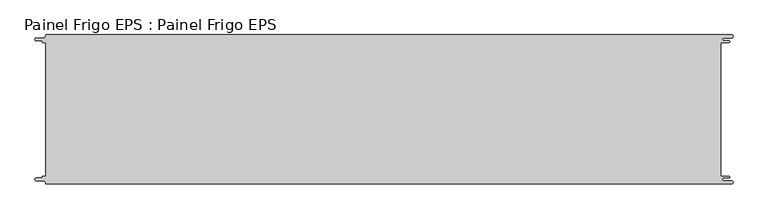
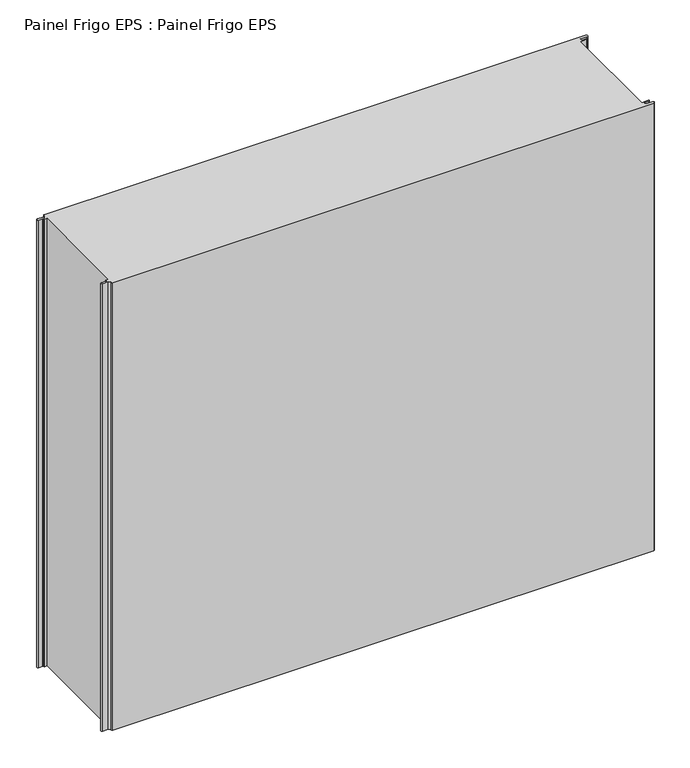
"""IFC4 building model written with IfcOpenShell, lengths in millimetres: proxy geometry, Painel Frigo EPS : Painel Frigo EPS."""

import ifcopenshell
import ifcopenshell.guid

model = None  # the IFC model being written
_history = None  # IfcOwnerHistory: only IFC2X3 demands one
_inside = {}  # id of a spatial element -> (the spatial element, [elements in it])
_under = {}  # id of a project, library or spatial element -> (it, [spatial elements below it])
_declared = {}  # id of a project -> (the project, [libraries it declares])
_typed = {}  # id of a type object -> (the type object, [elements of that type])
_made_of = {}  # id of a material, layer set ... -> (it, [elements and type objects made of it])


def new_model(schema):
    """Start an empty IFC model of exactly this schema.

    Asked for "IFC4X3", IfcOpenShell would pick the latest addendum, in which some entities
    have other attributes; the version numbers below select the first issue.
    IFC2X3 requires an IfcOwnerHistory on every rooted entity: one is made here for all.
    """
    global model, _history
    if schema == "IFC4X3":
        model = ifcopenshell.file(schema_version=(4, 3, 0, 0))
    else:
        model = ifcopenshell.file(schema=schema)
    _inside.clear()
    _under.clear()
    _declared.clear()
    _typed.clear()
    _made_of.clear()
    _history = None
    if model.schema == "IFC2X3":
        org = make("IfcOrganization", Name="unknown")
        user = make(
            "IfcPersonAndOrganization",
            ThePerson=make("IfcPerson", FamilyName="unknown"),
            TheOrganization=org,
        )
        app = make(
            "IfcApplication",
            ApplicationDeveloper=org,
            Version="unknown",
            ApplicationFullName="unknown",
            ApplicationIdentifier="unknown",
        )
        _history = make(
            "IfcOwnerHistory",
            OwningUser=user,
            OwningApplication=app,
            ChangeAction="ADDED",
            CreationDate=0,
        )
    return model


def make(cls, **values):
    """One entity of the class cls with the attributes given. An attribute that is None is left unset."""
    return model.create_entity(
        cls, **{name: value for name, value in values.items() if value is not None}
    )


def rooted(cls, **values):
    """An entity with a GlobalId (a new one), such as an element, a storey or a relation."""
    return make(cls, GlobalId=ifcopenshell.guid.new(), OwnerHistory=_history, **values)


def si_unit(unit_type, name, prefix=None):
    """IfcSIUnit, for example si_unit("LENGTHUNIT", "METRE", prefix="MILLI")."""
    return make("IfcSIUnit", UnitType=unit_type, Prefix=prefix, Name=name)


def assignment(units):
    """IfcUnitAssignment: the units of a project."""
    return None if units is None else make("IfcUnitAssignment", Units=units)


def point(xyz):
    """IfcCartesianPoint."""
    return None if xyz is None else make("IfcCartesianPoint", Coordinates=xyz)


def direction(xyz):
    """IfcDirection."""
    return None if xyz is None else make("IfcDirection", DirectionRatios=xyz)


def frame(location, z_axis=None, x_axis=None):
    """IfcAxis2Placement3D, a coordinate frame: its origin and axes. An axis left out is left unset."""
    return make(
        "IfcAxis2Placement3D",
        Location=point(location),
        Axis=direction(z_axis),
        RefDirection=direction(x_axis),
    )


def origin():
    """The frame at (0, 0, 0) with its axes left unset."""
    return frame((0.0, 0.0, 0.0))


def place(relative_to, where):
    """IfcLocalPlacement: puts the frame where relative to a parent placement (None: the world)."""
    return make(
        "IfcLocalPlacement", PlacementRelTo=relative_to, RelativePlacement=where
    )


def context(
    kind, dimensions, precision=None, world=None, true_north=None, identifier=None
):
    """IfcGeometricRepresentationContext, for example the 3D "Model" context."""
    return make(
        "IfcGeometricRepresentationContext",
        ContextIdentifier=identifier,
        ContextType=kind,
        CoordinateSpaceDimension=dimensions,
        Precision=precision,
        WorldCoordinateSystem=world,
        TrueNorth=true_north,
    )


def project(units=None, contexts=None):
    """IfcProject with its units and contexts."""
    return rooted(
        "IfcProject",
        Name="project",
        RepresentationContexts=contexts,
        UnitsInContext=assignment(units),
    )


def spatial(cls, under=None, at=None, **own):
    """A site, building, storey or space (cls), placed at a placement, below another one or the project."""
    s = rooted(cls, ObjectPlacement=at, **own)
    if under is not None:
        _under.setdefault(under.id(), (under, []))[1].append(s)
    return s


def polyline(points):
    """IfcPolyline through the points."""
    return make("IfcPolyline", Points=[point(p) for p in points])


def circle_curve(where, radius):
    """IfcCircle in the frame where."""
    return make("IfcCircle", Position=where, Radius=radius)


def shape(context_of_items, identifier, shape_type, items):
    """IfcShapeRepresentation: the items that make up one representation, for example the "Body"."""
    return make(
        "IfcShapeRepresentation",
        ContextOfItems=context_of_items,
        RepresentationIdentifier=identifier,
        RepresentationType=shape_type,
        Items=items,
    )


def source(mapping_origin, context_of_items, identifier, shape_type, items):
    """IfcRepresentationMap: a shape defined once, which mapped items show again and again."""
    return make(
        "IfcRepresentationMap",
        MappingOrigin=mapping_origin,
        MappedRepresentation=shape(context_of_items, identifier, shape_type, items),
    )


def transform(
    local_origin,
    x_axis=None,
    y_axis=None,
    z_axis=None,
    scale=None,
    scale2=None,
    scale3=None,
    uniform=True,
):
    """IfcCartesianTransformationOperator3D, or its non-uniform kind. x_axis, y_axis, z_axis: its Axis1, 2, 3."""
    if uniform:
        return make(
            "IfcCartesianTransformationOperator3D",
            Axis1=direction(x_axis),
            Axis2=direction(y_axis),
            LocalOrigin=point(local_origin),
            Scale=scale,
            Axis3=direction(z_axis),
        )
    return make(
        "IfcCartesianTransformationOperator3DnonUniform",
        Axis1=direction(x_axis),
        Axis2=direction(y_axis),
        LocalOrigin=point(local_origin),
        Scale=scale,
        Axis3=direction(z_axis),
        Scale2=scale2,
        Scale3=scale3,
    )


def mapped(mapping_source, mapping_target):
    """IfcMappedItem: shows the shape of a source again, moved by a transform."""
    return make(
        "IfcMappedItem", MappingSource=mapping_source, MappingTarget=mapping_target
    )


def made_of(thing, what):
    """Note that an element or type object is made of a material, layer set ...; save() writes the relation."""
    if what is not None:
        _made_of.setdefault(what.id(), (what, []))[1].append(thing)
    return thing


def element(
    cls,
    number,
    at=None,
    inside=None,
    cuts=None,
    type_object=None,
    material=None,
    context=None,
    identifier="Body",
    shape_type=None,
    held_by="IfcProductDefinitionShape",
    body=None,
    shapes=None,
    **own,
):
    """One element of the class cls, such as IfcWall. Its Tag is "e" and its number.

    at: its placement. inside: the storey or other place that contains it. cuts: it is an
    opening in that element (IfcRelVoidsElement). A single representation is given by context,
    identifier, shape_type and body (its items); several are given by shapes. held_by: the class
    of the entity that holds the representations. save() writes the other relations.
    """
    e = rooted(cls, Tag="e%d" % number, ObjectPlacement=at, **own)
    if body is not None:
        shapes = [shape(context, identifier, shape_type, body)]
    if shapes is not None:
        e.Representation = make(held_by, Representations=shapes)
    if inside is not None:
        _inside.setdefault(inside.id(), (inside, []))[1].append(e)
    if cuts is not None:
        rooted(
            "IfcRelVoidsElement", RelatingBuildingElement=cuts, RelatedOpeningElement=e
        )
    if type_object is not None:
        _typed.setdefault(type_object.id(), (type_object, []))[1].append(e)
    return made_of(e, material)


def aggregate(whole, parts):
    """IfcRelAggregates: a whole, such as a stair, and the parts it consists of."""
    return rooted("IfcRelAggregates", RelatingObject=whole, RelatedObjects=parts)


def save(model, path):
    """Write the relations noted so far, then the file.

    IfcRelAggregates (storeys below a building ...), IfcRelContainedInSpatialStructure (elements
    in a storey), IfcRelDefinesByType, IfcRelAssociatesMaterial and IfcRelDeclares: one each for
    every whole, place, type object, material and project.
    """
    for whole, parts in _under.values():
        aggregate(whole, parts)
    for where, things in _inside.values():
        rooted(
            "IfcRelContainedInSpatialStructure",
            RelatedElements=things,
            RelatingStructure=where,
        )
    for kind, things in _typed.values():
        rooted("IfcRelDefinesByType", RelatedObjects=things, RelatingType=kind)
    for what, things in _made_of.values():
        rooted("IfcRelAssociatesMaterial", RelatedObjects=things, RelatingMaterial=what)
    for by, libraries in _declared.values():
        rooted("IfcRelDeclares", RelatingContext=by, RelatedDefinitions=libraries)
    model.write(path)


def plane_surface(at):
    """IfcPlane: the flat surface through the origin of the frame at, square to its z axis."""
    return make("IfcPlane", Position=at)


def cylinder_surface(at, radius):
    """IfcCylindricalSurface: all points at the distance radius from the z axis of the frame at."""
    return make("IfcCylindricalSurface", Position=at, Radius=radius)


def revolved_surface(curve, axis_point, axis_direction):
    """IfcSurfaceOfRevolution: the curve turned about the line through axis_point along axis_direction."""
    return make(
        "IfcSurfaceOfRevolution",
        SweptCurve=make("IfcArbitraryOpenProfileDef", ProfileType="CURVE", Curve=curve),
        AxisPosition=make("IfcAxis1Placement", Location=point(axis_point), Axis=direction(axis_direction)),
    )


def advanced_brep(points, edges, surfaces, faces):
    """IfcAdvancedBrep: a solid bounded by faces that lie on surfaces and meet in shared edges.

    An edge is (start, end): straight between two places in points (the first is 0);
    or (start, end, curve); or (start, end, curve, False) where it runs against its curve.
    A face is (place in surfaces, loops), or (place, loops, False) where it looks against
    its surface's normal. A loop lists edges by number (the first is 1), with a minus sign
    where the edge is run from its end to its start. The first loop is the outer one.
    """
    corners = [point(p) for p in points]
    vertices = [make("IfcVertexPoint", VertexGeometry=c) for c in corners]
    made = []
    for start, end, *more in edges:
        made.append(
            make(
                "IfcEdgeCurve",
                EdgeStart=vertices[start],
                EdgeEnd=vertices[end],
                EdgeGeometry=more[0] if more else make("IfcPolyline", Points=[corners[start], corners[end]]),
                SameSense=more[1] if len(more) > 1 else True,
            )
        )
    hull = []
    for where, loops, *sense in faces:
        bounds = []
        for j, loop in enumerate(loops):
            ring = [make("IfcOrientedEdge", EdgeElement=made[abs(k) - 1], Orientation=k > 0) for k in loop]
            bounds.append(
                make(
                    "IfcFaceOuterBound" if j == 0 else "IfcFaceBound",
                    Bound=make("IfcEdgeLoop", EdgeList=ring),
                    Orientation=True,
                )
            )
        hull.append(make("IfcAdvancedFace", Bounds=bounds, FaceSurface=surfaces[where], SameSense=sense[0] if sense else True))
    return make("IfcAdvancedBrep", Outer=make("IfcClosedShell", CfsFaces=hull))


def painel_frigo_eps_painel_frigo_eps_2f04a6b4(model_context):
    return source(origin(), model_context, "Body", "AdvancedBrep", [
        advanced_brep(
        [(-579.5093748, -112.3, 1000.0), (-580.1093748, -112.9, 1000.0), (-580.1093748, -113.7085184, 1000.0), (-581.5093751, -115.1085187, 1000.0), (-590.4875, -115.1085187, 1000.0), (-590.4875, -119.5085185, 1000.0), (-578.471875, -119.5085185, 1000.0), (-574.921875, -123.0585185, 1000.0), (-572.971875, -125.0, 1000.0), (572.284375, -125.0, 1000.0), (572.284375, -119.725, 1000.0), (559.378125, -119.725, 1000.0), (559.378125, -114.875, 1000.0), (568.0406253, -114.875, 1000.0), (568.0406253, -112.3, 1000.0), (554.1906253, -112.3, 1000.0), (554.1906253, 112.3, 1000.0), (568.0406253, 112.3, 1000.0), (568.0406253, 114.875, 1000.0), (559.378125, 114.875, 1000.0), (559.378125, 119.725, 1000.0), (572.284375, 119.725, 1000.0), (572.284375, 125.0, 1000.0), (-572.971875, 125.0, 1000.0), (-574.921875, 123.05, 1000.0), (-578.471875, 119.5085185, 1000.0), (-590.4875, 119.5085185, 1000.0), (-590.4875, 115.1085185, 1000.0), (-581.5093753, 115.1085185, 1000.0), (-580.1093753, 113.7085185, 1000.0), (-580.1093753, 112.9, 1000.0), (-579.5093748, 112.2999995, 1000.0), (-574.2218362, 112.2999995, 1000.0), (-574.2218362, -112.3, 1000.0), (-579.5093748, -112.3, 0.0), (-574.2218362, -112.3, 0.0), (-574.2218362, 112.2999995, 0.0), (-579.5093748, 112.2999995, 0.0), (-580.1093753, 112.9, 0.0), (-580.1093753, 113.7085185, 0.0), (-581.5093753, 115.1085185, 0.0), (-590.4875, 115.1085185, 0.0), (-590.4875, 119.5085185, 0.0), (-578.471875, 119.5085185, 0.0), (-574.921875, 123.0585185, 0.0), (-572.971875, 125.0, 0.0), (572.284375, 125.0, 0.0), (572.284375, 119.725, 0.0), (559.378125, 119.725, 0.0), (559.378125, 114.875, 0.0), (568.0406253, 114.875, 0.0), (568.0406253, 112.3, 0.0), (554.1906253, 112.3, 0.0), (554.1906253, -112.3, 0.0), (568.0406253, -112.3, 0.0), (568.0406253, -114.875, 0.0), (559.378125, -114.875, 0.0), (559.378125, -119.725, 0.0), (572.284375, -119.725, 0.0), (572.284375, -125.0, 0.0), (-572.971875, -125.0, 0.0), (-574.921875, -123.05, 0.0), (-578.471875, -119.5085185, 0.0), (-590.4875, -119.5085185, 0.0), (-590.4875, -115.1085187, 0.0), (-581.5093751, -115.1085187, 0.0), (-580.1093748, -113.7085184, 0.0), (-580.1093748, -112.9, 0.0)],
        [
            (0, 1, circle_curve(frame((-579.5093748, -112.9, 1000.0), z_axis=(0.0, 0.0, 1.0), x_axis=(1.0, 0.0, 0.0)), 0.6)),
            (1, 2),
            (2, 3, circle_curve(frame((-581.5093751, -113.7085184, 1000.0), z_axis=(0.0, 0.0, -1.0), x_axis=(1.0, 0.0, 0.0)), 1.4000003)),
            (3, 4),
            (4, 5, circle_curve(frame((-590.4875, -117.3085186, 1000.0), z_axis=(0.0, 0.0, 1.0), x_axis=(1.0, 0.0, 0.0)), 2.1999999)),
            (5, 6),
            (6, 7, circle_curve(frame((-578.471875, -123.0585185, 1000.0), z_axis=(0.0, 0.0, -1.0), x_axis=(1.0, 0.0, 0.0)), 3.55)),
            (7, 8, circle_curve(frame((-572.971875, -123.05, 1000.0), z_axis=(0.0, 0.0, 1.0), x_axis=(1.0, 0.0, 0.0)), 1.95)),
            (8, 9),
            (9, 10, circle_curve(frame((572.284375, -122.3625, 1000.0), z_axis=(0.0, 0.0, 1.0), x_axis=(1.0, 0.0, 0.0)), 2.6375)),
            (10, 11),
            (11, 12, circle_curve(frame((559.378125, -117.3, 1000.0), z_axis=(0.0, 0.0, -1.0), x_axis=(1.0, 0.0, 0.0)), 2.425)),
            (12, 13),
            (13, 14, circle_curve(frame((568.0406253, -113.5875, 1000.0), z_axis=(0.0, 0.0, 1.0), x_axis=(1.0, 0.0, 0.0)), 1.2875)),
            (14, 15),
            (15, 16),
            (16, 17),
            (17, 18, circle_curve(frame((568.0406253, 113.5875, 1000.0), z_axis=(0.0, 0.0, 1.0), x_axis=(1.0, 0.0, 0.0)), 1.2875)),
            (18, 19),
            (19, 20, circle_curve(frame((559.378125, 117.3, 1000.0), z_axis=(0.0, 0.0, -1.0), x_axis=(1.0, 0.0, 0.0)), 2.425)),
            (20, 21),
            (21, 22, circle_curve(frame((572.284375, 122.3625, 1000.0), z_axis=(0.0, 0.0, 1.0), x_axis=(1.0, 0.0, 0.0)), 2.6375)),
            (22, 23),
            (23, 24, circle_curve(frame((-572.971875, 123.05, 1000.0), z_axis=(0.0, 0.0, 1.0), x_axis=(1.0, 0.0, 0.0)), 1.95)),
            (24, 25, circle_curve(frame((-578.471875, 123.0585185, 1000.0), z_axis=(0.0, 0.0, -1.0), x_axis=(1.0, 0.0, 0.0)), 3.55)),
            (25, 26),
            (26, 27, circle_curve(frame((-590.4875, 117.3085185, 1000.0), z_axis=(0.0, 0.0, 1.0), x_axis=(1.0, 0.0, 0.0)), 2.2)),
            (27, 28),
            (28, 29, circle_curve(frame((-581.5093753, 113.7085185, 1000.0), z_axis=(0.0, 0.0, -1.0), x_axis=(1.0, 0.0, 0.0)), 1.4)),
            (29, 30),
            (30, 31, circle_curve(frame((-579.5093748, 112.9, 1000.0), z_axis=(0.0, 0.0, 1.0), x_axis=(1.0, 0.0, 0.0)), 0.6000005)),
            (31, 32),
            (32, 33),
            (33, 0),
            (34, 35),
            (35, 36),
            (36, 37),
            (37, 38, circle_curve(frame((-579.5093748, 112.9, 0.0), z_axis=(0.0, 0.0, -1.0), x_axis=(1.0, 0.0, 0.0)), 0.6000005)),
            (38, 39),
            (39, 40, circle_curve(frame((-581.5093753, 113.7085185, 0.0), z_axis=(0.0, 0.0, 1.0), x_axis=(1.0, 0.0, 0.0)), 1.4)),
            (40, 41),
            (41, 42, circle_curve(frame((-590.4875, 117.3085185, 0.0), z_axis=(0.0, 0.0, -1.0), x_axis=(1.0, 0.0, 0.0)), 2.2)),
            (42, 43),
            (43, 44, circle_curve(frame((-578.471875, 123.0585185, 0.0), z_axis=(0.0, 0.0, 1.0), x_axis=(1.0, 0.0, 0.0)), 3.55)),
            (44, 45, circle_curve(frame((-572.971875, 123.05, 0.0), z_axis=(0.0, 0.0, -1.0), x_axis=(1.0, 0.0, 0.0)), 1.95)),
            (45, 46),
            (46, 47, circle_curve(frame((572.284375, 122.3625, 0.0), z_axis=(0.0, 0.0, -1.0), x_axis=(1.0, 0.0, 0.0)), 2.6375)),
            (47, 48),
            (48, 49, circle_curve(frame((559.378125, 117.3, 0.0), z_axis=(0.0, 0.0, 1.0), x_axis=(1.0, 0.0, 0.0)), 2.425)),
            (49, 50),
            (50, 51, circle_curve(frame((568.0406253, 113.5875, 0.0), z_axis=(0.0, 0.0, -1.0), x_axis=(1.0, 0.0, 0.0)), 1.2875)),
            (51, 52),
            (52, 53),
            (53, 54),
            (54, 55, circle_curve(frame((568.0406253, -113.5875, 0.0), z_axis=(0.0, 0.0, -1.0), x_axis=(1.0, 0.0, 0.0)), 1.2875)),
            (55, 56),
            (56, 57, circle_curve(frame((559.378125, -117.3, 0.0), z_axis=(0.0, 0.0, 1.0), x_axis=(1.0, 0.0, 0.0)), 2.425)),
            (57, 58),
            (58, 59, circle_curve(frame((572.284375, -122.3625, 0.0), z_axis=(0.0, 0.0, -1.0), x_axis=(1.0, 0.0, 0.0)), 2.6375)),
            (59, 60),
            (60, 61, circle_curve(frame((-572.971875, -123.05, 0.0), z_axis=(0.0, 0.0, -1.0), x_axis=(1.0, 0.0, 0.0)), 1.95)),
            (61, 62, circle_curve(frame((-578.471875, -123.0585185, 0.0), z_axis=(0.0, 0.0, 1.0), x_axis=(1.0, 0.0, 0.0)), 3.55)),
            (62, 63),
            (63, 64, circle_curve(frame((-590.4875, -117.3085186, 0.0), z_axis=(0.0, 0.0, -1.0), x_axis=(1.0, 0.0, 0.0)), 2.1999999)),
            (64, 65),
            (65, 66, circle_curve(frame((-581.5093751, -113.7085184, 0.0), z_axis=(0.0, 0.0, 1.0), x_axis=(1.0, 0.0, 0.0)), 1.4000003)),
            (66, 67),
            (67, 34, circle_curve(frame((-579.5093748, -112.9, 0.0), z_axis=(0.0, 0.0, -1.0), x_axis=(1.0, 0.0, 0.0)), 0.6)),
            (22, 46),
            (45, 23),
            (8, 60),
            (59, 9),
            (33, 35),
            (34, 0),
            (32, 36),
            (31, 37),
            (30, 38),
            (29, 39),
            (28, 40),
            (27, 41),
            (26, 42),
            (25, 43),
            (24, 44),
            (15, 53),
            (52, 16),
            (14, 54),
            (13, 55),
            (12, 56),
            (11, 57),
            (10, 58),
            (7, 61),
            (6, 62),
            (5, 63),
            (4, 64),
            (3, 65),
            (2, 66),
            (1, 67),
            (21, 47),
            (20, 48),
            (19, 49),
            (18, 50),
            (17, 51),
        ],
        [
            plane_surface(frame((-574.2218362, -112.3, 1000.0), z_axis=(0.0, 0.0, 1.0), x_axis=(1.0, 0.0, 0.0))),
            plane_surface(frame((-574.2218362, -112.3, 0.0), z_axis=(0.0, 0.0, -1.0), x_axis=(-1.0, 0.0, 0.0))),
            plane_surface(frame((-572.971875, 125.0, 1000.0), z_axis=(0.0, 1.0, 0.0), x_axis=(0.0, 0.0, -1.0))),
            plane_surface(frame((572.284375, -125.0, 1000.0), z_axis=(0.0, -1.0, 0.0), x_axis=(0.0, 0.0, -1.0))),
            plane_surface(frame((-579.5093748, -112.3, 1000.0), z_axis=(0.0, 1.0, 0.0), x_axis=(0.0, 0.0, -1.0))),
            plane_surface(frame((-574.2218362, -112.3, 1000.0), z_axis=(-1.0, 0.0, 0.0), x_axis=(0.0, 0.0, -1.0))),
            plane_surface(frame((-574.2218362, 112.2999995, 1000.0), z_axis=(0.0, -1.0, 0.0), x_axis=(0.0, 0.0, -1.0))),
            cylinder_surface(frame((-579.5093748, 112.9, 0.0), z_axis=(0.0, 0.0, 1.0), x_axis=(1.0, 0.0, 0.0)), 0.6000005),
            plane_surface(frame((-580.1093753, 112.9, 1000.0), z_axis=(-1.0, -1.757860866232952e-12, 0.0), x_axis=(0.0, 0.0, -1.0))),
            revolved_surface(polyline([(-580.1093753, 113.7085185, 0.0), (-580.1093753, 113.7085185, 1000.0)]), (-581.5093753, 113.7085185, 0.0), (0.0, 0.0, -1.0)),
            plane_surface(frame((-581.5093753, 115.1085185, 1000.0), z_axis=(0.0, -1.0, 0.0), x_axis=(0.0, 0.0, -1.0))),
            cylinder_surface(frame((-590.4875, 117.3085185, 0.0), z_axis=(0.0, 0.0, 1.0), x_axis=(1.0, 0.0, 0.0)), 2.2),
            plane_surface(frame((-590.4875, 119.5085185, 1000.0), z_axis=(0.0, 1.0, 0.0), x_axis=(0.0, 0.0, -1.0))),
            revolved_surface(polyline([(-574.921875, 123.0585185, 0.0), (-574.921875, 123.0585185, 1000.0)]), (-578.471875, 123.0585185, 0.0), (0.0, 0.0, -1.0)),
            cylinder_surface(frame((-572.971875, 123.05, 0.0), z_axis=(0.0, 0.0, 1.0), x_axis=(1.0, 0.0, 0.0)), 1.95),
            plane_surface(frame((554.1906253, 112.3, 1000.0), z_axis=(1.0, 0.0, 0.0), x_axis=(0.0, 0.0, -1.0))),
            plane_surface(frame((554.1906253, -112.3, 1000.0), z_axis=(0.0, 1.0, 0.0), x_axis=(0.0, 0.0, -1.0))),
            cylinder_surface(frame((568.0406253, -113.5875, 0.0), z_axis=(0.0, 0.0, 1.0), x_axis=(1.0, 0.0, 0.0)), 1.2875),
            plane_surface(frame((568.0406253, -114.875, 1000.0), z_axis=(0.0, -1.0, 0.0), x_axis=(0.0, 0.0, -1.0))),
            revolved_surface(polyline([(561.8031249999999, -117.3, 0.0), (561.8031249999999, -117.3, 1000.0)]), (559.378125, -117.3, 0.0), (0.0, 0.0, -1.0)),
            plane_surface(frame((559.378125, -119.725, 1000.0), z_axis=(0.0, 1.0, 0.0), x_axis=(0.0, 0.0, -1.0))),
            cylinder_surface(frame((572.284375, -122.3625, 0.0), z_axis=(0.0, 0.0, 1.0), x_axis=(1.0, 0.0, 0.0)), 2.6375),
            cylinder_surface(frame((-572.971875, -123.05, 0.0), z_axis=(0.0, 0.0, 1.0), x_axis=(1.0, 0.0, 0.0)), 1.95),
            revolved_surface(polyline([(-574.921875, -123.0585185, 0.0), (-574.921875, -123.0585185, 1000.0)]), (-578.471875, -123.0585185, 0.0), (0.0, 0.0, -1.0)),
            plane_surface(frame((-578.471875, -119.5085185, 1000.0), z_axis=(0.0, -1.0, 0.0), x_axis=(0.0, 0.0, -1.0))),
            cylinder_surface(frame((-590.4875, -117.3085186, 0.0), z_axis=(0.0, 0.0, 1.0), x_axis=(1.0, 0.0, 0.0)), 2.1999999),
            plane_surface(frame((-590.4875, -115.1085187, 1000.0), z_axis=(0.0, 1.0, 0.0), x_axis=(0.0, 0.0, -1.0))),
            revolved_surface(polyline([(-580.1093748000001, -113.7085184, 0.0), (-580.1093748000001, -113.7085184, 1000.0)]), (-581.5093751, -113.7085184, 0.0), (0.0, 0.0, -1.0)),
            plane_surface(frame((-580.1093748, -113.7085184, 1000.0), z_axis=(-1.0, 0.0, 0.0), x_axis=(0.0, 0.0, -1.0))),
            cylinder_surface(frame((-579.5093748, -112.9, 0.0), z_axis=(0.0, 0.0, 1.0), x_axis=(1.0, 0.0, 0.0)), 0.6),
            cylinder_surface(frame((572.284375, 122.3625, 0.0), z_axis=(0.0, 0.0, 1.0), x_axis=(1.0, 0.0, 0.0)), 2.6375),
            plane_surface(frame((572.284375, 119.725, 1000.0), z_axis=(0.0, -1.0, 0.0), x_axis=(0.0, 0.0, -1.0))),
            revolved_surface(polyline([(561.8031249999999, 117.3, 0.0), (561.8031249999999, 117.3, 1000.0)]), (559.378125, 117.3, 0.0), (0.0, 0.0, -1.0)),
            plane_surface(frame((559.378125, 114.875, 1000.0), z_axis=(0.0, 1.0, 0.0), x_axis=(0.0, 0.0, -1.0))),
            cylinder_surface(frame((568.0406253, 113.5875, 0.0), z_axis=(0.0, 0.0, 1.0), x_axis=(1.0, 0.0, 0.0)), 1.2875),
            plane_surface(frame((568.0406253, 112.3, 1000.0), z_axis=(0.0, -1.0, 0.0), x_axis=(0.0, 0.0, -1.0))),
        ],
        [
            (0, [[1, 2, 3, 4, 5, 6, 7, 8, 9, 10, 11, 12, 13, 14, 15, 16, 17, 18, 19, 20, 21, 22, 23, 24, 25, 26, 27, 28, 29, 30, 31, 32, 33, 34]]),
            (1, [[35, 36, 37, 38, 39, 40, 41, 42, 43, 44, 45, 46, 47, 48, 49, 50, 51, 52, 53, 54, 55, 56, 57, 58, 59, 60, 61, 62, 63, 64, 65, 66, 67, 68]]),
            (2, [[69, -46, 70, -23]]),
            (3, [[71, -60, 72, -9]]),
            (4, [[73, -35, 74, -34]]),
            (5, [[75, -36, -73, -33]]),
            (6, [[76, -37, -75, -32]]),
            (7, [[77, -38, -76, -31]]),
            (8, [[78, -39, -77, -30]]),
            (9, [[79, -40, -78, -29]]),
            (10, [[80, -41, -79, -28]]),
            (11, [[81, -42, -80, -27]]),
            (12, [[82, -43, -81, -26]]),
            (13, [[83, -44, -82, -25]]),
            (14, [[-70, -45, -83, -24]]),
            (15, [[84, -53, 85, -16]]),
            (16, [[86, -54, -84, -15]]),
            (17, [[87, -55, -86, -14]]),
            (18, [[88, -56, -87, -13]]),
            (19, [[89, -57, -88, -12]]),
            (20, [[90, -58, -89, -11]]),
            (21, [[-72, -59, -90, -10]]),
            (22, [[91, -61, -71, -8]]),
            (23, [[92, -62, -91, -7]]),
            (24, [[93, -63, -92, -6]]),
            (25, [[94, -64, -93, -5]]),
            (26, [[95, -65, -94, -4]]),
            (27, [[96, -66, -95, -3]]),
            (28, [[97, -67, -96, -2]]),
            (29, [[-74, -68, -97, -1]]),
            (30, [[98, -47, -69, -22]]),
            (31, [[99, -48, -98, -21]]),
            (32, [[100, -49, -99, -20]]),
            (33, [[101, -50, -100, -19]]),
            (34, [[102, -51, -101, -18]]),
            (35, [[-85, -52, -102, -17]]),
        ],
    ),
    ])


if __name__ == "__main__":
    model = new_model("IFC4")
    model_context = context("Model", 3, world=origin())
    ifc_project = project(units=[si_unit("LENGTHUNIT", "METRE", prefix="MILLI")], contexts=[model_context])
    site = spatial("IfcSite", under=ifc_project)
    building = spatial("IfcBuilding", under=site)
    placement = place(None, origin())
    painel_frigo_eps_painel_frigo_eps_shape = painel_frigo_eps_painel_frigo_eps_2f04a6b4(model_context)
    element("IfcBuildingElementProxy", 1, Name="Painel Frigo EPS : Painel Frigo EPS", ObjectType="Painel Frigo EPS : Painel Frigo EPS", at=placement, inside=building, context=model_context, shape_type="MappedRepresentation", body=[
        mapped(painel_frigo_eps_painel_frigo_eps_shape, transform((0.0, 0.0, 0.0), x_axis=(1.0, 0.0, 0.0), y_axis=(0.0, 1.0, 0.0), z_axis=(0.0, 0.0, 1.0))),
    ])
    save(model, "model.ifc")
